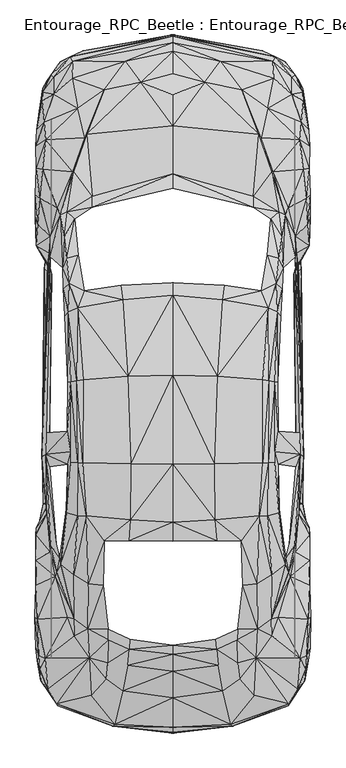
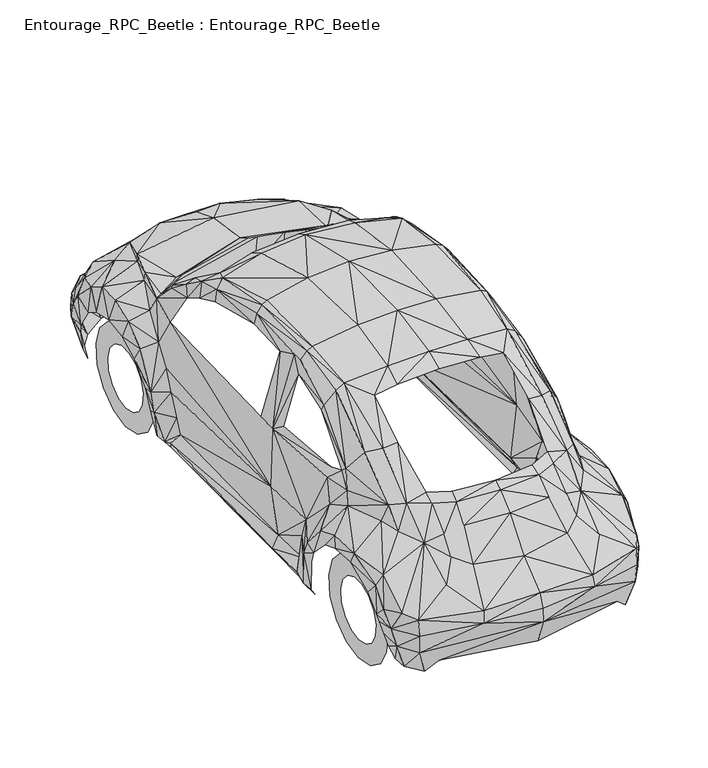
"""IFC4 building model written with IfcOpenShell, lengths in millimetres: proxy geometry, Entourage_RPC_Beetle : Entourage_RPC_Beetle."""

import ifcopenshell
import ifcopenshell.guid

model = None  # the IFC model being written
_history = None  # IfcOwnerHistory: only IFC2X3 demands one
_inside = {}  # id of a spatial element -> (the spatial element, [elements in it])
_under = {}  # id of a project, library or spatial element -> (it, [spatial elements below it])
_declared = {}  # id of a project -> (the project, [libraries it declares])
_typed = {}  # id of a type object -> (the type object, [elements of that type])
_made_of = {}  # id of a material, layer set ... -> (it, [elements and type objects made of it])


def new_model(schema):
    """Start an empty IFC model of exactly this schema.

    Asked for "IFC4X3", IfcOpenShell would pick the latest addendum, in which some entities
    have other attributes; the version numbers below select the first issue.
    IFC2X3 requires an IfcOwnerHistory on every rooted entity: one is made here for all.
    """
    global model, _history
    if schema == "IFC4X3":
        model = ifcopenshell.file(schema_version=(4, 3, 0, 0))
    else:
        model = ifcopenshell.file(schema=schema)
    _inside.clear()
    _under.clear()
    _declared.clear()
    _typed.clear()
    _made_of.clear()
    _history = None
    if model.schema == "IFC2X3":
        org = make("IfcOrganization", Name="unknown")
        user = make(
            "IfcPersonAndOrganization",
            ThePerson=make("IfcPerson", FamilyName="unknown"),
            TheOrganization=org,
        )
        app = make(
            "IfcApplication",
            ApplicationDeveloper=org,
            Version="unknown",
            ApplicationFullName="unknown",
            ApplicationIdentifier="unknown",
        )
        _history = make(
            "IfcOwnerHistory",
            OwningUser=user,
            OwningApplication=app,
            ChangeAction="ADDED",
            CreationDate=0,
        )
    return model


def make(cls, **values):
    """One entity of the class cls with the attributes given. An attribute that is None is left unset."""
    return model.create_entity(
        cls, **{name: value for name, value in values.items() if value is not None}
    )


def rooted(cls, **values):
    """An entity with a GlobalId (a new one), such as an element, a storey or a relation."""
    return make(cls, GlobalId=ifcopenshell.guid.new(), OwnerHistory=_history, **values)


def si_unit(unit_type, name, prefix=None):
    """IfcSIUnit, for example si_unit("LENGTHUNIT", "METRE", prefix="MILLI")."""
    return make("IfcSIUnit", UnitType=unit_type, Prefix=prefix, Name=name)


def assignment(units):
    """IfcUnitAssignment: the units of a project."""
    return None if units is None else make("IfcUnitAssignment", Units=units)


def point(xyz):
    """IfcCartesianPoint."""
    return None if xyz is None else make("IfcCartesianPoint", Coordinates=xyz)


def direction(xyz):
    """IfcDirection."""
    return None if xyz is None else make("IfcDirection", DirectionRatios=xyz)


def frame(location, z_axis=None, x_axis=None):
    """IfcAxis2Placement3D, a coordinate frame: its origin and axes. An axis left out is left unset."""
    return make(
        "IfcAxis2Placement3D",
        Location=point(location),
        Axis=direction(z_axis),
        RefDirection=direction(x_axis),
    )


def origin():
    """The frame at (0, 0, 0) with its axes left unset."""
    return frame((0.0, 0.0, 0.0))


def place(relative_to, where):
    """IfcLocalPlacement: puts the frame where relative to a parent placement (None: the world)."""
    return make(
        "IfcLocalPlacement", PlacementRelTo=relative_to, RelativePlacement=where
    )


def context(
    kind, dimensions, precision=None, world=None, true_north=None, identifier=None
):
    """IfcGeometricRepresentationContext, for example the 3D "Model" context."""
    return make(
        "IfcGeometricRepresentationContext",
        ContextIdentifier=identifier,
        ContextType=kind,
        CoordinateSpaceDimension=dimensions,
        Precision=precision,
        WorldCoordinateSystem=world,
        TrueNorth=true_north,
    )


def project(units=None, contexts=None):
    """IfcProject with its units and contexts."""
    return rooted(
        "IfcProject",
        Name="project",
        RepresentationContexts=contexts,
        UnitsInContext=assignment(units),
    )


def spatial(cls, under=None, at=None, **own):
    """A site, building, storey or space (cls), placed at a placement, below another one or the project."""
    s = rooted(cls, ObjectPlacement=at, **own)
    if under is not None:
        _under.setdefault(under.id(), (under, []))[1].append(s)
    return s


def point_list(points):
    """IfcCartesianPointList2D or 3D."""
    cls = (
        "IfcCartesianPointList2D" if len(points[0]) == 2 else "IfcCartesianPointList3D"
    )
    return make(cls, CoordList=points)


def triangles(points, corners, closed=None, point_numbers=None):
    """IfcTriangulatedFaceSet: each triangle names its three corners, points numbered from 1."""
    return make(
        "IfcTriangulatedFaceSet",
        Coordinates=point_list(points),
        Closed=closed,
        CoordIndex=corners,
        PnIndex=point_numbers,
    )


def shape(context_of_items, identifier, shape_type, items):
    """IfcShapeRepresentation: the items that make up one representation, for example the "Body"."""
    return make(
        "IfcShapeRepresentation",
        ContextOfItems=context_of_items,
        RepresentationIdentifier=identifier,
        RepresentationType=shape_type,
        Items=items,
    )


def source(mapping_origin, context_of_items, identifier, shape_type, items):
    """IfcRepresentationMap: a shape defined once, which mapped items show again and again."""
    return make(
        "IfcRepresentationMap",
        MappingOrigin=mapping_origin,
        MappedRepresentation=shape(context_of_items, identifier, shape_type, items),
    )


def transform(
    local_origin,
    x_axis=None,
    y_axis=None,
    z_axis=None,
    scale=None,
    scale2=None,
    scale3=None,
    uniform=True,
):
    """IfcCartesianTransformationOperator3D, or its non-uniform kind. x_axis, y_axis, z_axis: its Axis1, 2, 3."""
    if uniform:
        return make(
            "IfcCartesianTransformationOperator3D",
            Axis1=direction(x_axis),
            Axis2=direction(y_axis),
            LocalOrigin=point(local_origin),
            Scale=scale,
            Axis3=direction(z_axis),
        )
    return make(
        "IfcCartesianTransformationOperator3DnonUniform",
        Axis1=direction(x_axis),
        Axis2=direction(y_axis),
        LocalOrigin=point(local_origin),
        Scale=scale,
        Axis3=direction(z_axis),
        Scale2=scale2,
        Scale3=scale3,
    )


def mapped(mapping_source, mapping_target):
    """IfcMappedItem: shows the shape of a source again, moved by a transform."""
    return make(
        "IfcMappedItem", MappingSource=mapping_source, MappingTarget=mapping_target
    )


def made_of(thing, what):
    """Note that an element or type object is made of a material, layer set ...; save() writes the relation."""
    if what is not None:
        _made_of.setdefault(what.id(), (what, []))[1].append(thing)
    return thing


def element(
    cls,
    number,
    at=None,
    inside=None,
    cuts=None,
    type_object=None,
    material=None,
    context=None,
    identifier="Body",
    shape_type=None,
    held_by="IfcProductDefinitionShape",
    body=None,
    shapes=None,
    **own,
):
    """One element of the class cls, such as IfcWall. Its Tag is "e" and its number.

    at: its placement. inside: the storey or other place that contains it. cuts: it is an
    opening in that element (IfcRelVoidsElement). A single representation is given by context,
    identifier, shape_type and body (its items); several are given by shapes. held_by: the class
    of the entity that holds the representations. save() writes the other relations.
    """
    e = rooted(cls, Tag="e%d" % number, ObjectPlacement=at, **own)
    if body is not None:
        shapes = [shape(context, identifier, shape_type, body)]
    if shapes is not None:
        e.Representation = make(held_by, Representations=shapes)
    if inside is not None:
        _inside.setdefault(inside.id(), (inside, []))[1].append(e)
    if cuts is not None:
        rooted(
            "IfcRelVoidsElement", RelatingBuildingElement=cuts, RelatedOpeningElement=e
        )
    if type_object is not None:
        _typed.setdefault(type_object.id(), (type_object, []))[1].append(e)
    return made_of(e, material)


def aggregate(whole, parts):
    """IfcRelAggregates: a whole, such as a stair, and the parts it consists of."""
    return rooted("IfcRelAggregates", RelatingObject=whole, RelatedObjects=parts)


def save(model, path):
    """Write the relations noted so far, then the file.

    IfcRelAggregates (storeys below a building ...), IfcRelContainedInSpatialStructure (elements
    in a storey), IfcRelDefinesByType, IfcRelAssociatesMaterial and IfcRelDeclares: one each for
    every whole, place, type object, material and project.
    """
    for whole, parts in _under.values():
        aggregate(whole, parts)
    for where, things in _inside.values():
        rooted(
            "IfcRelContainedInSpatialStructure",
            RelatedElements=things,
            RelatingStructure=where,
        )
    for kind, things in _typed.values():
        rooted("IfcRelDefinesByType", RelatedObjects=things, RelatingType=kind)
    for what, things in _made_of.values():
        rooted("IfcRelAssociatesMaterial", RelatedObjects=things, RelatingMaterial=what)
    for by, libraries in _declared.values():
        rooted("IfcRelDeclares", RelatingContext=by, RelatedDefinitions=libraries)
    model.write(path)


def entourage_rpc_beetle_entourage_rpc_beetle_b6d71803(model_context):
    return source(origin(), model_context, "Body", "Tessellation", [
        triangles([(0.0, -749.071574, 521.742899), (0.0, -720.6335569, 604.033443), (0.0, -697.1470545, 283.3282728), (0.0, -553.0728908, 738.9057701), (0.0, -753.760096, 438.7513078), (0.0, -253.8386484, 1040.4185434), (0.0, -401.3744104, 922.0218458), (0.0, -305.0182643, 1012.9445663), (0.0, 339.5469707, 1396.6602436), (0.0, 448.9171117, 1443.1075539), (0.0, 778.6050184, 1505.0664173), (0.0, 1285.8879353, 1510.4998066), (0.0, 1742.2541199, 1403.2768456), (0.0, 2432.6093651, 967.8556761), (0.0, 3132.1224815, 632.4714237), (0.0, 3003.4724854, 772.0323092), (0.0, 2706.0784286, 929.3833151), (0.0, 3166.3445206, 220.3177475), (0.0, 2885.1195351, 859.3180424), (0.0, 3224.7104347, 396.0724085), (0.0, 3181.1549538, 556.1401817), (0.0, 3216.1220055, 530.6379956), (-338.407687, -715.988855, 523.3642027), (-331.2653541, -702.6243364, 593.8676027), (-244.8997318, -218.1706584, 1034.7659815), (-249.1500901, -276.1420835, 1003.6112698), (-257.9137267, -368.4231514, 912.4695219), (-249.2377301, 343.0524253, 1381.9373051), (-285.431542, -511.8838351, 760.9462852), (-240.2988317, 460.3974792, 1427.552108), (-236.6180971, 781.4093531, 1494.4185207), (-652.9344915, -590.6250681, 370.7455024), (-540.4532759, -593.7361791, 283.6349946), (-181.3633847, 2956.2803078, 806.8677555), (-253.3566466, 1279.4466133, 1497.179108), (-380.1225826, -444.6667534, 798.8051662), (-371.1837024, -353.5687892, 889.7717068), (-368.2478714, -222.3771967, 1004.1371098), (-368.6422514, -160.8126769, 1037.3951088), (-390.4198829, 343.0962453, 1359.9406826), (-282.758631, 1714.4296555, 1400.2533382), (-397.6060358, 87.5486986, 1216.1732225), (-463.4209502, -538.1309249, 705.2972111), (-271.6726434, 3074.4140854, 663.1441154), (-476.0843851, -323.2904411, 850.4230185), (-464.0343939, 3087.9975586, 214.4022838), (-482.5694544, 95.8303334, 1204.2108713), (-485.3738254, -159.4104914, 1005.7583771), (-569.1103566, 3073.5815781, 547.1136251), (-493.874542, 483.577278, 1392.2346416), (-583.6579788, 3101.4935371, 522.400199), (-510.6130915, 3134.4011215, 369.6500387), (-392.1287902, 2913.6012268, 783.2935404), (-656.7905062, -598.249421, 480.4223834), (-660.6903408, -585.2354261, 576.6470695), (-562.669071, -200.2052034, 880.3069502), (-560.43436, -101.5266881, 987.8367239), (-512.8040188, 786.711355, 1449.4173431), (-542.1621832, 485.1109417, 1360.7731899), (-564.3779783, 148.6750366, 1173.0999796), (-608.8972449, -561.6174273, 218.6088402), (-511.6209151, 1259.3779255, 1457.1731197), (-542.7756269, 785.2215477, 1431.62715), (-459.1705556, 2305.6242382, 949.6711029), (-601.448172, -92.8068806, 893.8030014), (-504.0842022, 1766.485635, 1321.8626289), (-546.4125415, 1253.8568962, 1442.4940739), (-603.419963, 501.4989312, 1279.4466133), (-580.5469042, 789.4281223, 1379.6588104), (-607.6265376, 520.2092717, 1235.979063), (-601.6672357, 965.9276688, 1337.9439148), (-712.9654203, -503.4269022, 590.8879881), (-543.0385468, 1671.1811325, 1362.0876446), (-490.9387473, 2659.6751564, 894.1096687), (-600.0459683, 778.6050184, 1308.1913704), (-598.468521, 1244.567347, 1344.6919041), (-640.008173, 208.2677382, 1063.2039986), (-680.8904886, -470.5194632, 218.8279221), (-538.8320086, 1968.0492039, 1181.3815962), (-581.3794478, 1249.0807343, 1402.7071129), (-644.9596149, 243.4537263, 1028.9820322), (-502.6819985, 2637.5907486, 866.5918716), (-661.1722881, 162.3463042, 955.8933249), (-690.7057325, -396.8611321, 226.9780968), (-559.5141764, 2176.4921494, 1011.849139), (-670.6370447, 140.9630437, 873.2960409), (-662.9250154, 324.5173285, 1010.1402317), (-615.5138105, 1624.5585423, 1262.9710201), (-595.0507064, 1647.2125374, 1322.1692963), (-589.8363444, 1810.8295853, 1270.2885967), (-729.3095535, -482.3065707, 373.4622334), (-752.0950087, -454.7449536, 476.8731088), (-694.5179272, 315.5346282, 958.4347395), (-727.0748789, -327.5407994, 736.0575428), (-623.3572271, 1778.4479862, 1193.6068674), (-565.0352783, 2447.3761963, 934.772957), (-732.2892408, -394.1444012, 324.3420848), (-571.3888876, 2445.9300636, 884.7764448), (-699.1188818, 280.0419, 808.1822828), (-604.6907066, 1951.091518, 1171.2596123), (-587.8206971, 3015.1281693, 200.2490234), (-691.4068525, 574.6314222, 283.8102746), (-750.7366613, -381.2618663, 397.2555121), (-627.9581818, 1897.5456585, 1125.469602), (-602.8941593, 2217.067725, 949.8025629), (-619.8517725, 2074.2206303, 1075.9989298), (-710.949773, 550.0056361, 448.9171117), (-765.2404999, -360.5796985, 467.8465522), (-699.9952091, 763.1372126, 1016.187101), (-763.8382599, -313.4313409, 671.3819847), (-758.3609779, -391.2086065, 565.0352783), (-717.9606823, 496.6350929, 583.9647188), (-723.2188643, 461.5367629, 181.1004829), (-718.1359623, 554.8256181, 180.0050374), (-771.9884892, -342.0446016, 511.3579951), (-574.3247186, 2977.4883156, 683.0814159), (-731.2813808, 376.1351443, 185.3070212), (-541.5487395, 2807.2984131, 783.4688204), (-640.183453, 2199.9349045, 944.8949409), (-739.4315374, 551.9336434, 222.5524767), (-782.1104731, -268.9559124, 609.6421486), (-772.8209965, -106.1275973, 756.4330433), (-722.2110043, 958.3909195, 967.6803961), (-703.8074038, 810.6798775, 292.5300731), (-725.3221516, 835.6124399, 965.0075214), (-758.2734106, 370.7893224, 225.6197495), (-785.8788477, -90.0025187, 695.9639145), (-780.1824657, 80.9759712, 676.0266867), (-779.9195457, 89.5643369, 755.1622633), (-760.9024652, 444.4038334, 223.2973804), (-778.6050184, 192.2302905, 631.3321764), (-659.0690735, 2238.6701855, 850.3353785), (-771.4626492, 345.7253363, 426.4822165), (-774.7051838, 315.3593482, 502.0247349), (-781.7160931, 232.4115588, 696.3582945), (-719.7134096, 810.6360575, 185.964303), (-690.3552452, 1860.1249775, 294.1075386), (-697.1470545, 1960.2056419, 957.0763922), (-780.2701057, 377.6249516, 532.7412829), (-778.6488384, 417.2804163, 440.0220151), (-746.0043194, 820.1446341, 614.0678232), (-678.173794, 2886.7845497, 671.0752447), (-698.0233818, 2078.8215122, 757.3970106), (-640.051993, 3071.2590454, 391.9535102), (-713.4911877, 1919.5424263, 537.0792812), (-718.6617296, 1911.1731697, 193.1066541), (-705.6477711, 1983.2978371, 648.7279896), (-731.2813808, 1892.3751892, 233.5070043), (-674.4492393, 2909.8331429, 198.8030179), (-727.3815462, 2040.3052586, 190.0832013), (-722.1233643, 1974.7095531, 190.0832013), (-678.6557413, 2984.5867195, 540.8914395), (-700.0828491, 2817.5957497, 206.339749), (-696.8403145, 2993.6132034, 517.7554607), (-724.1390116, 2626.4609047, 788.1135223), (-699.5570091, 1883.7430126, 390.6389465), (-765.4157072, 2043.5477932, 362.8144094), (-742.2797647, 2459.3385475, 809.2338902), (-716.646155, 2967.1470863, 449.8372953), (-766.9494072, 2002.4902702, 376.836228), (-732.0701408, 2726.2786491, 728.1264862), (-771.6817492, 2086.0077015, 482.5694544), (-759.6317579, 2292.9609123, 780.6206657), (-769.5346418, 2144.7677776, 699.5131891), (-778.0791784, 2024.2239727, 495.1452856), (-742.9808121, 2848.7944267, 602.2807157), (-782.6363131, 2187.1400459, 616.8721579), (-740.0450174, 2920.3932541, 427.6653202), (-741.6224648, 2898.4841263, 520.1654517), (-750.9119413, 2806.3345184, 398.3509395), (-782.7677004, 2314.7385075, 681.1972286), (-778.6050184, 2464.4652695, 693.9921598), (-760.4204453, 2788.5004326, 455.5336773), (-774.7051838, 2684.6515388, 603.0694393), (-780.8835857, 2591.1871857, 666.7810301), (-743.1122721, 809.6720901, 220.5368294), (0.0, 2350.6693085, 1011.849139), (-459.1705556, 2241.4745201, 1007.2920044), (0.0, 1813.2396126, 1369.1424465), (-294.1513586, 1797.0267941, 1360.0720699), (-580.6345442, 850.2915585, 1382.7260651), (338.407687, -715.988855, 523.3642027), (331.2653541, -702.6243364, 593.8676027), (244.8997318, -218.1706584, 1034.7659815), (249.1500901, -276.1420835, 1003.6112698), (257.9137267, -368.4231514, 912.4695219), (249.2377301, 343.0524253, 1381.9373051), (285.431542, -511.8838351, 760.9462852), (240.2988317, 460.3974792, 1427.552108), (236.6180971, 781.4093531, 1494.4185207), (652.9344915, -590.6250681, 370.7455024), (540.4532759, -593.7361791, 283.6349946), (181.3633847, 2956.2803078, 806.8677555), (253.3566466, 1279.4466133, 1497.179108), (380.1225826, -444.6667534, 798.8051662), (371.1837024, -353.5687892, 889.7717068), (368.2478714, -222.3771967, 1004.1371098), (368.6422514, -160.8126769, 1037.3951088), (390.4198829, 343.0962453, 1359.9406826), (282.758631, 1714.4296555, 1400.2533382), (397.6060358, 87.5486986, 1216.1732225), (463.4209502, -538.1309249, 705.2972111), (271.6726434, 3074.4140854, 663.1441154), (476.0843851, -323.2904411, 850.4230185), (464.0343939, 3087.9975586, 214.4022838), (482.5694544, 95.8303334, 1204.2108713), (485.3738254, -159.4104914, 1005.7583771), (569.1103566, 3073.5815781, 547.1136251), (493.874542, 483.577278, 1392.2346416), (583.6579788, 3101.4935371, 522.400199), (510.6130915, 3134.4011215, 369.6500387), (392.1287902, 2913.6012268, 783.2935404), (656.7905062, -598.249421, 480.4223834), (660.6903408, -585.2354261, 576.6470695), (562.669071, -200.2052034, 880.3069502), (560.43436, -101.5266881, 987.8367239), (512.8040188, 786.711355, 1449.4173431), (542.1621832, 485.1109417, 1360.7731899), (564.3779783, 148.6750366, 1173.0999796), (608.8972449, -561.6174273, 218.6088402), (511.6209151, 1259.3779255, 1457.1731197), (542.7756269, 785.2215477, 1431.62715), (459.1705556, 2305.6242382, 949.6711029), (601.448172, -92.8068806, 893.8030014), (504.0842022, 1766.485635, 1321.8626289), (546.4125415, 1253.8568962, 1442.4940739), (603.419963, 501.4989312, 1279.4466133), (580.5469042, 789.4281223, 1379.6588104), (607.6265376, 520.2092717, 1235.979063), (601.6672357, 965.9276688, 1337.9439148), (712.9654203, -503.4269022, 590.8879881), (543.0385468, 1671.1811325, 1362.0876446), (490.9387473, 2659.6751564, 894.1096687), (600.0459683, 778.6050184, 1308.1913704), (598.468521, 1244.567347, 1344.6919041), (640.008173, 208.2677382, 1063.2039986), (680.9343086, -470.5194632, 218.8279221), (538.8320086, 1968.0492039, 1181.3815962), (581.3794478, 1249.0807343, 1402.7071129), (644.9596149, 243.4537263, 1028.9820322), (502.6819985, 2637.5907486, 866.5918716), (661.1722881, 162.3463042, 955.8933249), (690.7057325, -396.8611321, 226.9780968), (559.5141764, 2176.4921494, 1011.849139), (670.6370447, 140.9630437, 873.2960409), (662.9250154, 324.5173285, 1010.1402317), (615.5138105, 1624.5585423, 1262.9710201), (595.0507064, 1647.2125374, 1322.1692963), (589.8363444, 1810.8295853, 1270.2885967), (729.3095535, -482.3065707, 373.4622334), (752.0950087, -454.7449536, 476.8731088), (694.5179272, 315.5346282, 958.4347395), (727.0748789, -327.5407994, 736.0575428), (623.3572271, 1778.4479862, 1193.6068674), (565.0352783, 2447.3761963, 934.772957), (732.2892408, -394.1444012, 324.3420848), (571.3888876, 2445.9300636, 884.7764448), (699.1188818, 280.0419, 808.1822828), (604.6907066, 1951.091518, 1171.2596123), (587.8206971, 3015.1281693, 200.2490234), (691.4068525, 574.6314222, 283.8102746), (750.7366613, -381.2618663, 397.2555121), (627.9581818, 1897.5456585, 1125.469602), (602.8941593, 2217.067725, 949.8025629), (619.8517725, 2074.2206303, 1075.9989298), (710.949773, 550.0056361, 448.9171117), (765.2404999, -360.5796985, 467.8465522), (699.9952091, 763.1372126, 1016.187101), (763.8382599, -313.4313409, 671.3819847), (758.3609779, -391.2086065, 565.0352783), (717.9606823, 496.6350929, 583.9647188), (723.2188643, 461.5367629, 181.1004829), (718.1359623, 554.8256181, 180.0050374), (771.9884892, -342.0446016, 511.3579951), (574.3247186, 2977.4883156, 683.0814159), (731.2813808, 376.1351443, 185.3070212), (541.5487395, 2807.2984131, 783.4688204), (640.183453, 2199.9349045, 944.8949409), (739.4315374, 551.9336434, 222.5524767), (782.1104731, -268.9559124, 609.6421486), (772.8209965, -106.1275973, 756.4330433), (722.2548243, 958.3909195, 967.6803961), (703.8074038, 810.6798775, 292.5300731), (725.3221516, 835.6124399, 965.0075214), (758.2734106, 370.7893224, 225.6197495), (785.8788477, -90.0025187, 695.9639145), (780.1824657, 80.9759712, 676.0266867), (779.9633657, 89.5643369, 755.1622633), (760.9024652, 444.4038334, 223.2973804), (778.6050184, 192.2302905, 631.3321764), (659.0690735, 2238.6701855, 850.3353785), (771.4626492, 345.7253363, 426.4822165), (774.7051838, 315.3593482, 502.0247349), (781.7160931, 232.4115588, 696.3582945), (719.7134096, 810.6360575, 185.964303), (690.3552452, 1860.1249775, 294.1075386), (697.1470545, 1960.2056419, 957.0763922), (780.2701057, 377.6249516, 532.7412829), (778.6488384, 417.2804163, 440.0220151), (746.0043194, 820.1446341, 614.0678232), (678.173794, 2886.7845497, 671.0752447), (698.0233818, 2078.8215122, 757.3970106), (640.051993, 3071.2590454, 391.9535102), (713.4911877, 1919.5424263, 537.0792812), (718.6617296, 1911.1731697, 193.1066541), (705.6477711, 1983.2978371, 648.7279896), (731.2813808, 1892.3751892, 233.5070043), (674.4492393, 2909.8331429, 198.8030179), (727.3815462, 2040.3052586, 190.0832013), (722.1233643, 1974.7095531, 190.0832013), (678.6557413, 2984.5867195, 540.8914395), (700.0828491, 2817.5957497, 206.339749), (696.8403145, 2993.6132034, 517.7554607), (724.1390116, 2626.4609047, 788.1135223), (699.5570091, 1883.7430126, 390.6389465), (765.4157072, 2043.5477932, 362.8144094), (742.2797647, 2459.3385475, 809.2338902), (716.646155, 2967.1470863, 449.8372953), (766.9494072, 2002.4902702, 376.836228), (732.0701408, 2726.2786491, 728.1264862), (771.7255692, 2086.0077015, 482.5694544), (759.6317579, 2292.9609123, 780.6206657), (769.5346418, 2144.7677776, 699.5131891), (778.0791784, 2024.2239727, 495.1452856), (742.9808121, 2848.7944267, 602.2807157), (782.6363131, 2187.1400459, 616.8721579), (740.0450174, 2920.3932541, 427.6653202), (741.6224648, 2898.4841263, 520.1654517), (750.9119413, 2806.3345184, 398.3509395), (782.7677004, 2314.7385075, 681.1972286), (778.6050184, 2464.4652695, 693.9921598), (760.4204453, 2788.5004326, 455.5336773), (774.7051838, 2684.6515388, 603.0694393), (780.8835857, 2591.1871857, 666.7810301), (743.1122721, 809.6720901, 220.5368294), (459.1705556, 2241.4745201, 1007.2920044), (294.1513586, 1797.0267941, 1360.0720699), (580.6345442, 850.2915585, 1382.7260651), (-693.6415998, 2431.9082451, 0.0015117), (-693.6415998, 2431.9082451, 117.9161946), (-693.6415998, 2558.8496246, 26.9935036), (-693.6415998, 2509.4663017, 134.3918332), (-693.6415998, 2663.794091, 103.2371124), (-693.6415998, 2573.6600578, 181.0143508), (-693.6415998, 2728.6886765, 215.6307153), (-693.6415998, 2613.3154861, 249.7212399), (-693.6415998, 2742.2724403, 344.6752187), (-693.6415998, 2621.5972481, 328.5939328), (-693.6415998, 2702.1786667, 468.1109982), (-693.6415998, 2597.102813, 404.0050275), (-693.6415998, 2615.3310608, 564.5109644), (-693.6415998, 2544.0389008, 462.9404563), (-693.6415998, 2496.8028305, 617.3118113), (-693.6415998, 2471.5636734, 495.2344517), (-693.6415998, 2367.0135143, 617.3118113), (-693.6415998, 2392.2528168, 495.2344517), (-693.6415998, 2248.4854294, 564.5109644), (-693.6415998, 2319.7775894, 462.9404563), (-693.6415998, 2161.6378235, 468.1109982), (-693.6415998, 2266.7138226, 404.0050275), (-693.6415998, 2121.5441952, 344.6752187), (-693.6415998, 2242.2193874, 328.5939328), (-693.6415998, 2135.1278137, 215.6307153), (-693.6415998, 2250.501004, 249.7212399), (-693.6415998, 2200.0225445, 103.2371124), (-693.6415998, 2290.1564323, 181.0143508), (-693.6415998, 2304.9670109, 26.9935036), (-693.6415998, 2354.3500431, 134.3918332), (693.6415998, 2431.9082451, 0.0015117), (693.6415998, 2431.9082451, 117.9161946), (693.6415998, 2304.9670109, 26.9935036), (693.6415998, 2354.3500431, 134.3918332), (693.6415998, 2200.0225445, 103.2371124), (693.6415998, 2290.1564323, 181.0143508), (693.6415998, 2135.1278137, 215.6307153), (693.6415998, 2250.501004, 249.7212399), (693.6415998, 2121.5441952, 344.6752187), (693.6415998, 2242.2193874, 328.5939328), (693.6415998, 2161.6378235, 468.1109982), (693.6415998, 2266.7138226, 404.0050275), (693.6415998, 2248.4854294, 564.5109644), (693.6415998, 2319.7775894, 462.9404563), (693.6415998, 2367.0135143, 617.3118113), (693.6415998, 2392.2528168, 495.2344517), (693.6415998, 2496.8028305, 617.3118113), (693.6415998, 2471.5636734, 495.2344517), (693.6415998, 2615.3310608, 564.5109644), (693.6415998, 2544.0389008, 462.9404563), (693.6415998, 2702.1786667, 468.1109982), (693.6415998, 2597.102813, 404.0050275), (693.6415998, 2742.2724403, 344.6752187), (693.6415998, 2621.5972481, 328.5939328), (693.6415998, 2728.6886765, 215.6307153), (693.6415998, 2613.3154861, 249.7212399), (693.6415998, 2663.794091, 103.2371124), (693.6415998, 2573.6600578, 181.0143508), (693.6415998, 2558.8496246, 26.9935036), (693.6415998, 2509.4663017, 134.3918332), (-693.6415998, -13.5836322, 0.0015117), (-693.6415998, -13.5836322, 117.9161946), (-693.6415998, 113.3575975, 26.9935036), (-693.6415998, 63.9745244, 134.3918332), (-693.6415998, 218.3021002, 103.2371124), (-693.6415998, 128.1681397, 181.0143508), (-693.6415998, 283.1968128, 215.6307153), (-693.6415998, 167.8235862, 249.7212399), (-693.6415998, 296.7804495, 344.6752187), (-693.6415998, 176.1052209, 328.5939328), (-693.6415998, 256.6868212, 468.1109982), (-693.6415998, 151.6108585, 404.0050275), (-693.6415998, 169.8392153, 564.5109644), (-693.6415998, 98.5470553, 462.9404563), (-693.6415998, 51.3110713, 617.3118113), (-693.6415998, 26.0718098, 495.2344517), (-693.6415998, -78.4783402, 617.3118113), (-693.6415998, -53.2390741, 495.2344517), (-693.6415998, -197.0064706, 564.5109644), (-693.6415998, -125.7143196, 462.9404563), (-693.6415998, -283.8540765, 468.1109982), (-693.6415998, -178.7781137, 404.0050275), (-693.6415998, -323.9477048, 344.6752187), (-693.6415998, -203.2724762, 328.5939328), (-693.6415998, -310.3640862, 215.6307153), (-693.6415998, -194.9908414, 249.7212399), (-693.6415998, -245.4693737, 103.2371124), (-693.6415998, -155.335395, 181.0143508), (-693.6415998, -140.5248618, 26.9935036), (-693.6415998, -91.1417842, 134.3918332), (693.6415998, -13.5836322, 0.0015117), (693.6415998, -13.5836322, 117.9161946), (693.6415998, -140.5248618, 26.9935036), (693.6415998, -91.1417842, 134.3918332), (693.6415998, -245.4693737, 103.2371124), (693.6415998, -155.335395, 181.0143508), (693.6415998, -310.3640862, 215.6307153), (693.6415998, -194.9908414, 249.7212399), (693.6415998, -323.9477048, 344.6752187), (693.6415998, -203.2724762, 328.5939328), (693.6415998, -283.8540765, 468.1109982), (693.6415998, -178.7781137, 404.0050275), (693.6415998, -197.0064706, 564.5109644), (693.6415998, -125.7143196, 462.9404563), (693.6415998, -78.4783402, 617.3118113), (693.6415998, -53.2390741, 495.2344517), (693.6415998, 51.3110713, 617.3118113), (693.6415998, 26.0718098, 495.2344517), (693.6415998, 169.8392153, 564.5109644), (693.6415998, 98.5470553, 462.9404563), (693.6415998, 256.6868212, 468.1109982), (693.6415998, 151.6108585, 404.0050275), (693.6415998, 296.7804495, 344.6752187), (693.6415998, 176.1052209, 328.5939328), (693.6415998, 283.1968128, 215.6307153), (693.6415998, 167.8235862, 249.7212399), (693.6415998, 218.3021002, 103.2371124), (693.6415998, 128.1681397, 181.0143508), (693.6415998, 113.3575975, 26.9935036), (693.6415998, 63.9745244, 134.3918332)], [[67, 58, 62], [67, 63, 58], [53, 82, 74], [34, 17, 19], [118, 82, 53], [155, 98, 82], [155, 158, 98], [34, 74, 17], [172, 155, 175], [172, 158, 155], [159, 168, 169], [166, 142, 169], [175, 161, 174], [175, 155, 161], [142, 152, 169], [154, 169, 152], [160, 145, 165], [160, 156, 145], [162, 160, 165], [162, 157, 160], [34, 53, 74], [74, 96, 64], [82, 96, 74], [82, 98, 96], [36, 29, 27], [29, 43, 24], [23, 55, 54], [23, 24, 55], [23, 2, 24], [23, 1, 2], [5, 1, 23], [134, 140, 133], [134, 139, 140], [117, 130, 113], [117, 126, 130], [113, 120, 114], [113, 130, 120], [140, 112, 107], [140, 139, 112], [92, 108, 103], [91, 103, 97], [91, 92, 103], [61, 33, 32], [84, 78, 91], [84, 91, 97], [38, 26, 25], [77, 81, 83], [63, 50, 58], [63, 59, 50], [68, 63, 69], [68, 59, 63], [181, 75, 69], [74, 64, 17], [64, 14, 17], [64, 178, 14], [178, 177, 14], [34, 19, 16], [53, 34, 44], [21, 44, 15], [21, 49, 44], [44, 34, 15], [34, 16, 15], [22, 49, 21], [22, 51, 49], [20, 51, 22], [20, 52, 51], [18, 52, 20], [18, 46, 52], [51, 152, 49], [51, 154, 152], [101, 144, 46], [144, 52, 46], [101, 159, 144], [159, 169, 154], [101, 168, 159], [101, 149, 168], [149, 170, 168], [149, 153, 170], [168, 173, 169], [168, 170, 173], [49, 142, 116], [49, 152, 142], [49, 116, 44], [116, 142, 118], [161, 155, 118], [155, 82, 118], [142, 161, 118], [158, 132, 98], [158, 163, 132], [172, 163, 158], [172, 171, 163], [98, 119, 96], [98, 132, 119], [171, 164, 163], [171, 167, 164], [163, 143, 132], [163, 164, 143], [96, 105, 64], [96, 119, 105], [105, 178, 64], [105, 85, 178], [167, 165, 164], [167, 162, 165], [165, 143, 164], [165, 147, 143], [150, 160, 157], [150, 151, 160], [151, 156, 160], [151, 148, 137], [13, 35, 12], [13, 41, 35], [12, 31, 11], [12, 35, 31], [35, 58, 31], [35, 62, 58], [11, 30, 10], [11, 31, 30], [31, 50, 30], [31, 58, 50], [10, 28, 9], [10, 30, 28], [30, 40, 28], [30, 50, 40], [125, 75, 181], [125, 109, 75], [125, 87, 109], [125, 93, 87], [123, 141, 125], [137, 141, 156], [137, 124, 141], [148, 124, 137], [148, 176, 124], [146, 176, 148], [146, 136, 176], [141, 112, 125], [112, 93, 125], [112, 99, 93], [124, 112, 141], [124, 107, 112], [124, 102, 107], [176, 102, 124], [176, 120, 102], [136, 120, 176], [136, 114, 120], [47, 40, 50], [47, 42, 40], [48, 42, 47], [48, 39, 42], [57, 47, 60], [57, 48, 47], [60, 50, 59], [60, 47, 50], [59, 77, 60], [59, 68, 77], [77, 57, 60], [77, 83, 57], [70, 77, 68], [70, 81, 77], [75, 68, 69], [75, 70, 68], [26, 6, 25], [26, 8, 6], [27, 8, 26], [27, 7, 8], [29, 7, 27], [29, 4, 7], [24, 4, 29], [24, 2, 4], [32, 5, 23], [33, 5, 32], [33, 3, 5], [32, 23, 54], [55, 45, 72], [55, 24, 43], [99, 83, 93], [99, 86, 83], [135, 86, 99], [135, 129, 86], [131, 129, 135], [131, 128, 129], [93, 81, 87], [93, 83, 81], [128, 122, 129], [128, 127, 122], [122, 86, 129], [122, 65, 86], [86, 57, 83], [86, 65, 57], [127, 110, 122], [127, 121, 110], [110, 94, 122], [122, 94, 65], [94, 56, 65], [56, 57, 65], [56, 48, 57], [56, 45, 48], [94, 45, 56], [115, 110, 121], [115, 111, 110], [111, 94, 110], [111, 72, 94], [108, 92, 115], [92, 111, 115], [78, 32, 91], [78, 61, 32], [45, 38, 48], [45, 37, 38], [37, 26, 38], [37, 27, 26], [36, 27, 37], [134, 135, 139], [134, 131, 135], [139, 99, 112], [139, 135, 99], [126, 140, 130], [126, 133, 140], [130, 107, 120], [130, 140, 107], [120, 107, 102], [45, 36, 37], [92, 55, 72], [92, 54, 55], [91, 54, 92], [91, 32, 54], [92, 72, 111], [72, 45, 94], [43, 45, 55], [43, 36, 45], [43, 29, 36], [79, 90, 66], [79, 100, 90], [90, 73, 66], [85, 100, 79], [85, 106, 100], [85, 105, 106], [105, 119, 106], [95, 88, 89], [90, 89, 73], [89, 67, 73], [73, 67, 62], [89, 76, 80], [89, 80, 67], [88, 76, 89], [73, 35, 41], [73, 62, 35], [69, 63, 181], [80, 63, 67], [76, 71, 80], [146, 148, 151], [141, 147, 145], [151, 137, 156], [173, 166, 169], [173, 174, 166], [166, 174, 161], [166, 161, 142], [52, 144, 51], [144, 154, 51], [144, 159, 154], [116, 53, 44], [116, 118, 53], [119, 143, 138], [143, 119, 132], [143, 147, 138], [138, 104, 119], [119, 104, 106], [104, 100, 106], [104, 90, 100], [104, 95, 90], [95, 89, 90], [25, 39, 38], [38, 39, 48], [141, 138, 147], [156, 141, 145], [165, 145, 147], [41, 179, 180], [41, 13, 179], [66, 41, 180], [66, 73, 41], [123, 125, 71], [125, 181, 71], [71, 181, 80], [181, 63, 80], [138, 141, 123], [226, 221, 217], [226, 217, 222], [212, 233, 241], [193, 19, 17], [277, 212, 241], [314, 241, 257], [314, 257, 317], [193, 17, 233], [331, 334, 314], [331, 314, 317], [318, 328, 327], [325, 328, 301], [334, 333, 320], [334, 320, 314], [301, 328, 311], [313, 311, 328], [319, 324, 304], [319, 304, 315], [321, 324, 319], [321, 319, 316], [193, 233, 212], [233, 223, 255], [241, 233, 255], [241, 255, 257], [195, 186, 188], [188, 183, 202], [182, 213, 214], [182, 214, 183], [182, 183, 2], [182, 2, 1], [5, 182, 1], [293, 292, 299], [293, 299, 298], [276, 272, 289], [276, 289, 285], [272, 273, 279], [272, 279, 289], [299, 266, 271], [299, 271, 298], [251, 262, 267], [250, 256, 262], [250, 262, 251], [220, 191, 192], [243, 250, 237], [243, 256, 250], [197, 184, 185], [236, 242, 240], [222, 217, 209], [222, 209, 218], [227, 228, 222], [227, 222, 218], [338, 228, 234], [233, 17, 223], [223, 17, 14], [223, 14, 336], [336, 14, 177], [193, 16, 19], [212, 203, 193], [21, 15, 203], [21, 203, 208], [203, 15, 193], [193, 15, 16], [22, 21, 208], [22, 208, 210], [20, 22, 210], [20, 210, 211], [18, 20, 211], [18, 211, 205], [210, 208, 311], [210, 311, 313], [260, 205, 303], [303, 205, 211], [260, 303, 318], [318, 313, 328], [260, 318, 327], [260, 327, 308], [308, 327, 329], [308, 329, 312], [327, 328, 332], [327, 332, 329], [208, 275, 301], [208, 301, 311], [208, 203, 275], [275, 277, 301], [320, 277, 314], [314, 277, 241], [301, 277, 320], [317, 257, 291], [317, 291, 322], [331, 317, 322], [331, 322, 330], [257, 255, 278], [257, 278, 291], [330, 322, 323], [330, 323, 326], [322, 291, 302], [322, 302, 323], [255, 223, 264], [255, 264, 278], [264, 223, 336], [264, 336, 244], [326, 323, 324], [326, 324, 321], [324, 323, 302], [324, 302, 306], [309, 316, 319], [309, 319, 310], [310, 319, 315], [310, 296, 307], [13, 12, 194], [13, 194, 200], [12, 11, 190], [12, 190, 194], [194, 190, 217], [194, 217, 221], [11, 10, 189], [11, 189, 190], [190, 189, 209], [190, 209, 217], [10, 9, 187], [10, 187, 189], [189, 187, 199], [189, 199, 209], [284, 338, 234], [284, 234, 268], [284, 268, 246], [284, 246, 252], [282, 284, 300], [296, 315, 300], [296, 300, 283], [307, 296, 283], [307, 283, 335], [305, 307, 335], [305, 335, 295], [300, 284, 271], [271, 284, 252], [271, 252, 258], [283, 300, 271], [283, 271, 266], [283, 266, 261], [335, 283, 261], [335, 261, 279], [295, 335, 279], [295, 279, 273], [206, 209, 199], [206, 199, 201], [207, 206, 201], [207, 201, 198], [216, 219, 206], [216, 206, 207], [219, 218, 209], [219, 209, 206], [218, 219, 236], [218, 236, 227], [236, 219, 216], [236, 216, 242], [229, 227, 236], [229, 236, 240], [234, 228, 227], [234, 227, 229], [185, 184, 6], [185, 6, 8], [186, 185, 8], [186, 8, 7], [188, 186, 7], [188, 7, 4], [183, 188, 4], [183, 4, 2], [191, 182, 5], [192, 191, 5], [192, 5, 3], [191, 213, 182], [214, 231, 204], [214, 202, 183], [258, 252, 242], [258, 242, 245], [294, 258, 245], [294, 245, 288], [290, 294, 288], [290, 288, 287], [252, 246, 240], [252, 240, 242], [287, 288, 281], [287, 281, 286], [281, 288, 245], [281, 245, 224], [245, 242, 216], [245, 216, 224], [286, 281, 269], [286, 269, 280], [269, 281, 253], [281, 224, 253], [253, 224, 215], [215, 224, 216], [215, 216, 207], [215, 207, 204], [253, 215, 204], [274, 280, 269], [274, 269, 270], [270, 269, 253], [270, 253, 231], [267, 274, 251], [251, 274, 270], [237, 250, 191], [237, 191, 220], [204, 207, 197], [204, 197, 196], [196, 197, 185], [196, 185, 186], [195, 196, 186], [293, 298, 294], [293, 294, 290], [298, 271, 258], [298, 258, 294], [285, 289, 299], [285, 299, 292], [289, 279, 266], [289, 266, 299], [279, 261, 266], [204, 196, 195], [251, 231, 214], [251, 214, 213], [250, 251, 213], [250, 213, 191], [251, 270, 231], [231, 253, 204], [202, 214, 204], [202, 204, 195], [202, 195, 188], [238, 225, 249], [238, 249, 259], [249, 225, 232], [244, 238, 259], [244, 259, 265], [244, 265, 264], [264, 265, 278], [254, 248, 247], [249, 232, 248], [248, 232, 226], [232, 221, 226], [248, 239, 235], [248, 226, 239], [247, 248, 235], [232, 200, 194], [232, 194, 221], [228, 338, 222], [239, 226, 222], [235, 239, 230], [305, 310, 307], [300, 304, 306], [310, 315, 296], [332, 328, 325], [332, 325, 333], [325, 320, 333], [325, 301, 320], [211, 210, 303], [303, 210, 313], [303, 313, 318], [275, 203, 212], [275, 212, 277], [278, 297, 302], [302, 291, 278], [302, 297, 306], [297, 278, 263], [278, 265, 263], [263, 265, 259], [263, 259, 249], [263, 249, 254], [254, 249, 248], [184, 197, 198], [197, 207, 198], [300, 306, 297], [315, 304, 300], [324, 306, 304], [200, 337, 179], [200, 179, 13], [225, 337, 200], [225, 200, 232], [282, 230, 284], [284, 230, 338], [230, 239, 338], [338, 239, 222], [297, 282, 300], [339, 342, 341], [339, 340, 342], [341, 344, 343], [341, 342, 344], [343, 346, 345], [343, 344, 346], [345, 348, 347], [345, 346, 348], [347, 350, 349], [347, 348, 350], [349, 352, 351], [349, 350, 352], [351, 354, 353], [351, 352, 354], [353, 356, 355], [353, 354, 356], [355, 358, 357], [355, 356, 358], [357, 360, 359], [357, 358, 360], [359, 362, 361], [359, 360, 362], [361, 364, 363], [361, 362, 364], [363, 366, 365], [363, 364, 366], [365, 368, 367], [365, 366, 368], [367, 340, 339], [367, 368, 340], [369, 372, 371], [369, 370, 372], [371, 374, 373], [371, 372, 374], [373, 376, 375], [373, 374, 376], [375, 378, 377], [375, 376, 378], [377, 380, 379], [377, 378, 380], [379, 382, 381], [379, 380, 382], [381, 384, 383], [381, 382, 384], [383, 386, 385], [383, 384, 386], [385, 388, 387], [385, 386, 388], [387, 390, 389], [387, 388, 390], [389, 392, 391], [389, 390, 392], [391, 394, 393], [391, 392, 394], [393, 396, 395], [393, 394, 396], [395, 398, 397], [395, 396, 398], [397, 370, 369], [397, 398, 370], [399, 402, 401], [399, 400, 402], [401, 404, 403], [401, 402, 404], [403, 406, 405], [403, 404, 406], [405, 408, 407], [405, 406, 408], [407, 410, 409], [407, 408, 410], [409, 412, 411], [409, 410, 412], [411, 414, 413], [411, 412, 414], [413, 416, 415], [413, 414, 416], [415, 418, 417], [415, 416, 418], [417, 420, 419], [417, 418, 420], [419, 422, 421], [419, 420, 422], [421, 424, 423], [421, 422, 424], [423, 426, 425], [423, 424, 426], [425, 428, 427], [425, 426, 428], [427, 400, 399], [427, 428, 400], [429, 432, 431], [429, 430, 432], [431, 434, 433], [431, 432, 434], [433, 436, 435], [433, 434, 436], [435, 438, 437], [435, 436, 438], [437, 440, 439], [437, 438, 440], [439, 442, 441], [439, 440, 442], [441, 444, 443], [441, 442, 444], [443, 446, 445], [443, 444, 446], [445, 448, 447], [445, 446, 448], [447, 450, 449], [447, 448, 450], [449, 452, 451], [449, 450, 452], [451, 454, 453], [451, 452, 454], [453, 456, 455], [453, 454, 456], [455, 458, 457], [455, 456, 458], [457, 430, 429], [457, 458, 430]], closed=False),
    ])


if __name__ == "__main__":
    model = new_model("IFC4")
    model_context = context("Model", 3, world=origin())
    ifc_project = project(units=[si_unit("LENGTHUNIT", "METRE", prefix="MILLI")], contexts=[model_context])
    site = spatial("IfcSite", under=ifc_project)
    building = spatial("IfcBuilding", under=site)
    placement = place(None, origin())
    entourage_rpc_beetle_entourage_rpc_beetle_shape = entourage_rpc_beetle_entourage_rpc_beetle_b6d71803(model_context)
    element("IfcBuildingElementProxy", 1, Name="Entourage_RPC_Beetle : Entourage_RPC_Beetle", ObjectType="Entourage_RPC_Beetle : Entourage_RPC_Beetle", at=placement, inside=building, context=model_context, shape_type="MappedRepresentation", body=[
        mapped(entourage_rpc_beetle_entourage_rpc_beetle_shape, transform((0.0, 0.0, 0.0), x_axis=(1.0, 0.0, 0.0), y_axis=(0.0, 1.0, 0.0), z_axis=(0.0, 0.0, 1.0))),
    ])
    save(model, "model.ifc")
